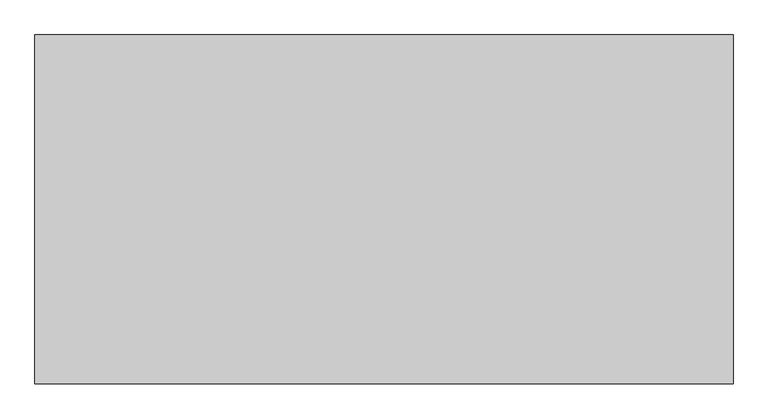
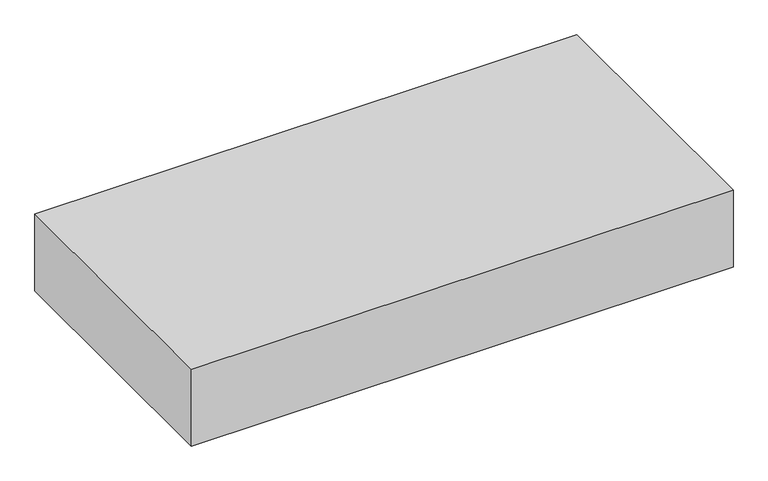
"""IFC4 building model written with IfcOpenShell, lengths in millimetres: proxy geometry."""

import ifcopenshell
import ifcopenshell.guid

model = None  # the IFC model being written
_history = None  # IfcOwnerHistory: only IFC2X3 demands one
_inside = {}  # id of a spatial element -> (the spatial element, [elements in it])
_under = {}  # id of a project, library or spatial element -> (it, [spatial elements below it])
_declared = {}  # id of a project -> (the project, [libraries it declares])
_typed = {}  # id of a type object -> (the type object, [elements of that type])
_made_of = {}  # id of a material, layer set ... -> (it, [elements and type objects made of it])


def new_model(schema):
    """Start an empty IFC model of exactly this schema.

    Asked for "IFC4X3", IfcOpenShell would pick the latest addendum, in which some entities
    have other attributes; the version numbers below select the first issue.
    IFC2X3 requires an IfcOwnerHistory on every rooted entity: one is made here for all.
    """
    global model, _history
    if schema == "IFC4X3":
        model = ifcopenshell.file(schema_version=(4, 3, 0, 0))
    else:
        model = ifcopenshell.file(schema=schema)
    _inside.clear()
    _under.clear()
    _declared.clear()
    _typed.clear()
    _made_of.clear()
    _history = None
    if model.schema == "IFC2X3":
        org = make("IfcOrganization", Name="unknown")
        user = make(
            "IfcPersonAndOrganization",
            ThePerson=make("IfcPerson", FamilyName="unknown"),
            TheOrganization=org,
        )
        app = make(
            "IfcApplication",
            ApplicationDeveloper=org,
            Version="unknown",
            ApplicationFullName="unknown",
            ApplicationIdentifier="unknown",
        )
        _history = make(
            "IfcOwnerHistory",
            OwningUser=user,
            OwningApplication=app,
            ChangeAction="ADDED",
            CreationDate=0,
        )
    return model


def make(cls, **values):
    """One entity of the class cls with the attributes given. An attribute that is None is left unset."""
    return model.create_entity(
        cls, **{name: value for name, value in values.items() if value is not None}
    )


def rooted(cls, **values):
    """An entity with a GlobalId (a new one), such as an element, a storey or a relation."""
    return make(cls, GlobalId=ifcopenshell.guid.new(), OwnerHistory=_history, **values)


def si_unit(unit_type, name, prefix=None):
    """IfcSIUnit, for example si_unit("LENGTHUNIT", "METRE", prefix="MILLI")."""
    return make("IfcSIUnit", UnitType=unit_type, Prefix=prefix, Name=name)


def assignment(units):
    """IfcUnitAssignment: the units of a project."""
    return None if units is None else make("IfcUnitAssignment", Units=units)


def point(xyz):
    """IfcCartesianPoint."""
    return None if xyz is None else make("IfcCartesianPoint", Coordinates=xyz)


def direction(xyz):
    """IfcDirection."""
    return None if xyz is None else make("IfcDirection", DirectionRatios=xyz)


def frame(location, z_axis=None, x_axis=None):
    """IfcAxis2Placement3D, a coordinate frame: its origin and axes. An axis left out is left unset."""
    return make(
        "IfcAxis2Placement3D",
        Location=point(location),
        Axis=direction(z_axis),
        RefDirection=direction(x_axis),
    )


def origin():
    """The frame at (0, 0, 0) with its axes left unset."""
    return frame((0.0, 0.0, 0.0))


def origin_with_axes():
    """The frame at (0, 0, 0) with the z axis (0, 0, 1) and the x axis (1, 0, 0) written out."""
    return frame((0.0, 0.0, 0.0), z_axis=(0.0, 0.0, 1.0), x_axis=(1.0, 0.0, 0.0))


def place(relative_to, where):
    """IfcLocalPlacement: puts the frame where relative to a parent placement (None: the world)."""
    return make(
        "IfcLocalPlacement", PlacementRelTo=relative_to, RelativePlacement=where
    )


def context(
    kind, dimensions, precision=None, world=None, true_north=None, identifier=None
):
    """IfcGeometricRepresentationContext, for example the 3D "Model" context."""
    return make(
        "IfcGeometricRepresentationContext",
        ContextIdentifier=identifier,
        ContextType=kind,
        CoordinateSpaceDimension=dimensions,
        Precision=precision,
        WorldCoordinateSystem=world,
        TrueNorth=true_north,
    )


def project(units=None, contexts=None):
    """IfcProject with its units and contexts."""
    return rooted(
        "IfcProject",
        Name="project",
        RepresentationContexts=contexts,
        UnitsInContext=assignment(units),
    )


def spatial(cls, under=None, at=None, **own):
    """A site, building, storey or space (cls), placed at a placement, below another one or the project."""
    s = rooted(cls, ObjectPlacement=at, **own)
    if under is not None:
        _under.setdefault(under.id(), (under, []))[1].append(s)
    return s


def polyline(points):
    """IfcPolyline through the points."""
    return make("IfcPolyline", Points=[point(p) for p in points])


def outline(outer, holes=None, kind="AREA"):
    """IfcArbitraryClosedProfileDef: a profile drawn as a closed curve; with holes, ...WithVoids."""
    if holes is None:
        return make("IfcArbitraryClosedProfileDef", ProfileType=kind, OuterCurve=outer)
    return make(
        "IfcArbitraryProfileDefWithVoids",
        ProfileType=kind,
        OuterCurve=outer,
        InnerCurves=holes,
    )


def extrude(swept, where, along, depth):
    """IfcExtrudedAreaSolid: the profile swept, set in the frame where, extruded along a direction by depth."""
    return make(
        "IfcExtrudedAreaSolid",
        SweptArea=swept,
        Position=where,
        ExtrudedDirection=direction(along),
        Depth=depth,
    )


def shape(context_of_items, identifier, shape_type, items):
    """IfcShapeRepresentation: the items that make up one representation, for example the "Body"."""
    return make(
        "IfcShapeRepresentation",
        ContextOfItems=context_of_items,
        RepresentationIdentifier=identifier,
        RepresentationType=shape_type,
        Items=items,
    )


def source(mapping_origin, context_of_items, identifier, shape_type, items):
    """IfcRepresentationMap: a shape defined once, which mapped items show again and again."""
    return make(
        "IfcRepresentationMap",
        MappingOrigin=mapping_origin,
        MappedRepresentation=shape(context_of_items, identifier, shape_type, items),
    )


def transform(
    local_origin,
    x_axis=None,
    y_axis=None,
    z_axis=None,
    scale=None,
    scale2=None,
    scale3=None,
    uniform=True,
):
    """IfcCartesianTransformationOperator3D, or its non-uniform kind. x_axis, y_axis, z_axis: its Axis1, 2, 3."""
    if uniform:
        return make(
            "IfcCartesianTransformationOperator3D",
            Axis1=direction(x_axis),
            Axis2=direction(y_axis),
            LocalOrigin=point(local_origin),
            Scale=scale,
            Axis3=direction(z_axis),
        )
    return make(
        "IfcCartesianTransformationOperator3DnonUniform",
        Axis1=direction(x_axis),
        Axis2=direction(y_axis),
        LocalOrigin=point(local_origin),
        Scale=scale,
        Axis3=direction(z_axis),
        Scale2=scale2,
        Scale3=scale3,
    )


def mapped(mapping_source, mapping_target):
    """IfcMappedItem: shows the shape of a source again, moved by a transform."""
    return make(
        "IfcMappedItem", MappingSource=mapping_source, MappingTarget=mapping_target
    )


def made_of(thing, what):
    """Note that an element or type object is made of a material, layer set ...; save() writes the relation."""
    if what is not None:
        _made_of.setdefault(what.id(), (what, []))[1].append(thing)
    return thing


def element(
    cls,
    number,
    at=None,
    inside=None,
    cuts=None,
    type_object=None,
    material=None,
    context=None,
    identifier="Body",
    shape_type=None,
    held_by="IfcProductDefinitionShape",
    body=None,
    shapes=None,
    **own,
):
    """One element of the class cls, such as IfcWall. Its Tag is "e" and its number.

    at: its placement. inside: the storey or other place that contains it. cuts: it is an
    opening in that element (IfcRelVoidsElement). A single representation is given by context,
    identifier, shape_type and body (its items); several are given by shapes. held_by: the class
    of the entity that holds the representations. save() writes the other relations.
    """
    e = rooted(cls, Tag="e%d" % number, ObjectPlacement=at, **own)
    if body is not None:
        shapes = [shape(context, identifier, shape_type, body)]
    if shapes is not None:
        e.Representation = make(held_by, Representations=shapes)
    if inside is not None:
        _inside.setdefault(inside.id(), (inside, []))[1].append(e)
    if cuts is not None:
        rooted(
            "IfcRelVoidsElement", RelatingBuildingElement=cuts, RelatedOpeningElement=e
        )
    if type_object is not None:
        _typed.setdefault(type_object.id(), (type_object, []))[1].append(e)
    return made_of(e, material)


def aggregate(whole, parts):
    """IfcRelAggregates: a whole, such as a stair, and the parts it consists of."""
    return rooted("IfcRelAggregates", RelatingObject=whole, RelatedObjects=parts)


def save(model, path):
    """Write the relations noted so far, then the file.

    IfcRelAggregates (storeys below a building ...), IfcRelContainedInSpatialStructure (elements
    in a storey), IfcRelDefinesByType, IfcRelAssociatesMaterial and IfcRelDeclares: one each for
    every whole, place, type object, material and project.
    """
    for whole, parts in _under.values():
        aggregate(whole, parts)
    for where, things in _inside.values():
        rooted(
            "IfcRelContainedInSpatialStructure",
            RelatedElements=things,
            RelatingStructure=where,
        )
    for kind, things in _typed.values():
        rooted("IfcRelDefinesByType", RelatedObjects=things, RelatingType=kind)
    for what, things in _made_of.values():
        rooted("IfcRelAssociatesMaterial", RelatedObjects=things, RelatingMaterial=what)
    for by, libraries in _declared.values():
        rooted("IfcRelDeclares", RelatingContext=by, RelatedDefinitions=libraries)
    model.write(path)


def generic_models_2e6997b4(model_context):
    return source(origin(), model_context, "Body", "SweptSolid", [
        extrude(outline(polyline([(-480.7030535, 40.8346095), (-480.7030535, -9959.1653905), (-20480.7030535, -9959.1653905), (-20480.7030535, 40.8346095), (-480.7030535, 40.8346095)])), origin_with_axes(), (0.0, 0.0, 1.0), 3000.0),
    ])


if __name__ == "__main__":
    model = new_model("IFC4")
    model_context = context("Model", 3, world=origin())
    ifc_project = project(units=[si_unit("LENGTHUNIT", "METRE", prefix="MILLI")], contexts=[model_context])
    site = spatial("IfcSite", under=ifc_project)
    building = spatial("IfcBuilding", under=site)
    placement = place(None, origin())
    generic_models_shape = generic_models_2e6997b4(model_context)
    element("IfcBuildingElementProxy", 1, Name="Generic Models", at=placement, inside=building, context=model_context, shape_type="MappedRepresentation", body=[
        mapped(generic_models_shape, transform((0.0, 0.0, 0.0), x_axis=(1.0, 0.0, 0.0), y_axis=(0.0, 1.0, 0.0), z_axis=(0.0, 0.0, 1.0))),
    ])
    save(model, "model.ifc")
